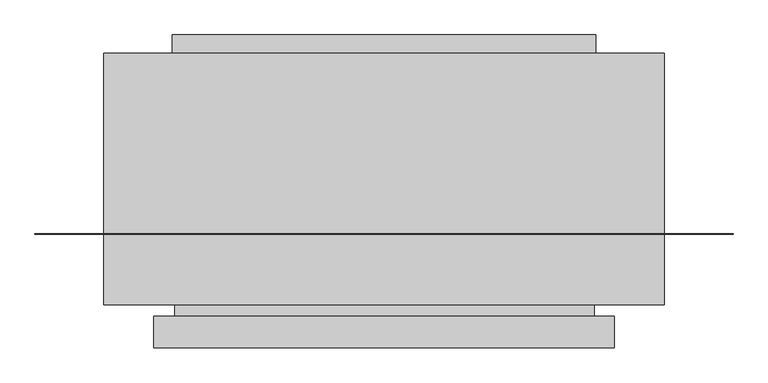
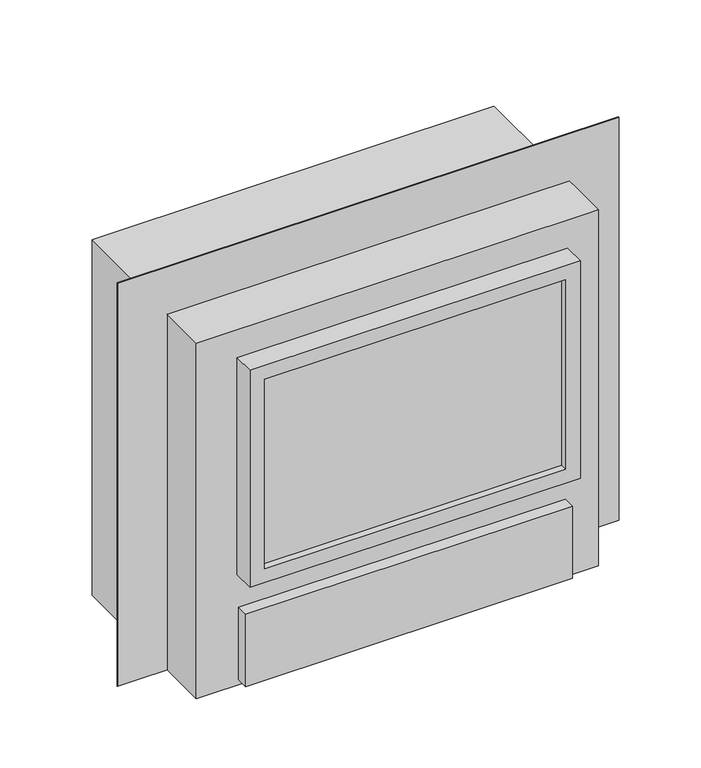
"""IFC4 building model written with IfcOpenShell, lengths in millimetres: proxy geometry."""

import ifcopenshell
import ifcopenshell.guid

model = None  # the IFC model being written
_history = None  # IfcOwnerHistory: only IFC2X3 demands one
_inside = {}  # id of a spatial element -> (the spatial element, [elements in it])
_under = {}  # id of a project, library or spatial element -> (it, [spatial elements below it])
_declared = {}  # id of a project -> (the project, [libraries it declares])
_typed = {}  # id of a type object -> (the type object, [elements of that type])
_made_of = {}  # id of a material, layer set ... -> (it, [elements and type objects made of it])


def new_model(schema):
    """Start an empty IFC model of exactly this schema.

    Asked for "IFC4X3", IfcOpenShell would pick the latest addendum, in which some entities
    have other attributes; the version numbers below select the first issue.
    IFC2X3 requires an IfcOwnerHistory on every rooted entity: one is made here for all.
    """
    global model, _history
    if schema == "IFC4X3":
        model = ifcopenshell.file(schema_version=(4, 3, 0, 0))
    else:
        model = ifcopenshell.file(schema=schema)
    _inside.clear()
    _under.clear()
    _declared.clear()
    _typed.clear()
    _made_of.clear()
    _history = None
    if model.schema == "IFC2X3":
        org = make("IfcOrganization", Name="unknown")
        user = make(
            "IfcPersonAndOrganization",
            ThePerson=make("IfcPerson", FamilyName="unknown"),
            TheOrganization=org,
        )
        app = make(
            "IfcApplication",
            ApplicationDeveloper=org,
            Version="unknown",
            ApplicationFullName="unknown",
            ApplicationIdentifier="unknown",
        )
        _history = make(
            "IfcOwnerHistory",
            OwningUser=user,
            OwningApplication=app,
            ChangeAction="ADDED",
            CreationDate=0,
        )
    return model


def make(cls, **values):
    """One entity of the class cls with the attributes given. An attribute that is None is left unset."""
    return model.create_entity(
        cls, **{name: value for name, value in values.items() if value is not None}
    )


def rooted(cls, **values):
    """An entity with a GlobalId (a new one), such as an element, a storey or a relation."""
    return make(cls, GlobalId=ifcopenshell.guid.new(), OwnerHistory=_history, **values)


def si_unit(unit_type, name, prefix=None):
    """IfcSIUnit, for example si_unit("LENGTHUNIT", "METRE", prefix="MILLI")."""
    return make("IfcSIUnit", UnitType=unit_type, Prefix=prefix, Name=name)


def assignment(units):
    """IfcUnitAssignment: the units of a project."""
    return None if units is None else make("IfcUnitAssignment", Units=units)


def point(xyz):
    """IfcCartesianPoint."""
    return None if xyz is None else make("IfcCartesianPoint", Coordinates=xyz)


def direction(xyz):
    """IfcDirection."""
    return None if xyz is None else make("IfcDirection", DirectionRatios=xyz)


def frame(location, z_axis=None, x_axis=None):
    """IfcAxis2Placement3D, a coordinate frame: its origin and axes. An axis left out is left unset."""
    return make(
        "IfcAxis2Placement3D",
        Location=point(location),
        Axis=direction(z_axis),
        RefDirection=direction(x_axis),
    )


def origin():
    """The frame at (0, 0, 0) with its axes left unset."""
    return frame((0.0, 0.0, 0.0))


def origin_with_axes():
    """The frame at (0, 0, 0) with the z axis (0, 0, 1) and the x axis (1, 0, 0) written out."""
    return frame((0.0, 0.0, 0.0), z_axis=(0.0, 0.0, 1.0), x_axis=(1.0, 0.0, 0.0))


def place(relative_to, where):
    """IfcLocalPlacement: puts the frame where relative to a parent placement (None: the world)."""
    return make(
        "IfcLocalPlacement", PlacementRelTo=relative_to, RelativePlacement=where
    )


def context(
    kind, dimensions, precision=None, world=None, true_north=None, identifier=None
):
    """IfcGeometricRepresentationContext, for example the 3D "Model" context."""
    return make(
        "IfcGeometricRepresentationContext",
        ContextIdentifier=identifier,
        ContextType=kind,
        CoordinateSpaceDimension=dimensions,
        Precision=precision,
        WorldCoordinateSystem=world,
        TrueNorth=true_north,
    )


def project(units=None, contexts=None):
    """IfcProject with its units and contexts."""
    return rooted(
        "IfcProject",
        Name="project",
        RepresentationContexts=contexts,
        UnitsInContext=assignment(units),
    )


def spatial(cls, under=None, at=None, **own):
    """A site, building, storey or space (cls), placed at a placement, below another one or the project."""
    s = rooted(cls, ObjectPlacement=at, **own)
    if under is not None:
        _under.setdefault(under.id(), (under, []))[1].append(s)
    return s


def polyline(points):
    """IfcPolyline through the points."""
    return make("IfcPolyline", Points=[point(p) for p in points])


def outline(outer, holes=None, kind="AREA"):
    """IfcArbitraryClosedProfileDef: a profile drawn as a closed curve; with holes, ...WithVoids."""
    if holes is None:
        return make("IfcArbitraryClosedProfileDef", ProfileType=kind, OuterCurve=outer)
    return make(
        "IfcArbitraryProfileDefWithVoids",
        ProfileType=kind,
        OuterCurve=outer,
        InnerCurves=holes,
    )


def extrude(swept, where, along, depth):
    """IfcExtrudedAreaSolid: the profile swept, set in the frame where, extruded along a direction by depth."""
    return make(
        "IfcExtrudedAreaSolid",
        SweptArea=swept,
        Position=where,
        ExtrudedDirection=direction(along),
        Depth=depth,
    )


def faces_of(points, faces, orient=None, outer=None):
    """IfcFace entities. A face is a list of loops; a loop is a list of indices into points, from 0.

    orient and outer hold one flag for each loop. By default every Orientation is true, the
    first loop of a face is its IfcFaceOuterBound and the others are IfcFaceBound.
    """
    made = []
    for i, loops in enumerate(faces):
        bounds = []
        for j, loop in enumerate(loops):
            is_outer = j == 0 if outer is None else outer[i][j]
            bounds.append(
                make(
                    "IfcFaceOuterBound" if is_outer else "IfcFaceBound",
                    Bound=make("IfcPolyLoop", Polygon=[points[k] for k in loop]),
                    Orientation=True if orient is None else orient[i][j],
                )
            )
        made.append(make("IfcFace", Bounds=bounds))
    return made


def faceted_brep(points, faces, orient=None, outer=None, voids=None):
    """IfcFacetedBrep: a solid bounded by flat faces; with voids (closed shells), ...WithVoids."""
    shared = [point(p) for p in points]
    hull = make("IfcClosedShell", CfsFaces=faces_of(shared, faces, orient, outer))
    if voids is None:
        return make("IfcFacetedBrep", Outer=hull)
    return make(
        "IfcFacetedBrepWithVoids",
        Outer=hull,
        Voids=[
            make(cls, CfsFaces=faces_of(shared, fs, o, b)) for cls, fs, o, b in voids
        ],
    )


def shape(context_of_items, identifier, shape_type, items):
    """IfcShapeRepresentation: the items that make up one representation, for example the "Body"."""
    return make(
        "IfcShapeRepresentation",
        ContextOfItems=context_of_items,
        RepresentationIdentifier=identifier,
        RepresentationType=shape_type,
        Items=items,
    )


def source(mapping_origin, context_of_items, identifier, shape_type, items):
    """IfcRepresentationMap: a shape defined once, which mapped items show again and again."""
    return make(
        "IfcRepresentationMap",
        MappingOrigin=mapping_origin,
        MappedRepresentation=shape(context_of_items, identifier, shape_type, items),
    )


def transform(
    local_origin,
    x_axis=None,
    y_axis=None,
    z_axis=None,
    scale=None,
    scale2=None,
    scale3=None,
    uniform=True,
):
    """IfcCartesianTransformationOperator3D, or its non-uniform kind. x_axis, y_axis, z_axis: its Axis1, 2, 3."""
    if uniform:
        return make(
            "IfcCartesianTransformationOperator3D",
            Axis1=direction(x_axis),
            Axis2=direction(y_axis),
            LocalOrigin=point(local_origin),
            Scale=scale,
            Axis3=direction(z_axis),
        )
    return make(
        "IfcCartesianTransformationOperator3DnonUniform",
        Axis1=direction(x_axis),
        Axis2=direction(y_axis),
        LocalOrigin=point(local_origin),
        Scale=scale,
        Axis3=direction(z_axis),
        Scale2=scale2,
        Scale3=scale3,
    )


def mapped(mapping_source, mapping_target):
    """IfcMappedItem: shows the shape of a source again, moved by a transform."""
    return make(
        "IfcMappedItem", MappingSource=mapping_source, MappingTarget=mapping_target
    )


def made_of(thing, what):
    """Note that an element or type object is made of a material, layer set ...; save() writes the relation."""
    if what is not None:
        _made_of.setdefault(what.id(), (what, []))[1].append(thing)
    return thing


def element(
    cls,
    number,
    at=None,
    inside=None,
    cuts=None,
    type_object=None,
    material=None,
    context=None,
    identifier="Body",
    shape_type=None,
    held_by="IfcProductDefinitionShape",
    body=None,
    shapes=None,
    **own,
):
    """One element of the class cls, such as IfcWall. Its Tag is "e" and its number.

    at: its placement. inside: the storey or other place that contains it. cuts: it is an
    opening in that element (IfcRelVoidsElement). A single representation is given by context,
    identifier, shape_type and body (its items); several are given by shapes. held_by: the class
    of the entity that holds the representations. save() writes the other relations.
    """
    e = rooted(cls, Tag="e%d" % number, ObjectPlacement=at, **own)
    if body is not None:
        shapes = [shape(context, identifier, shape_type, body)]
    if shapes is not None:
        e.Representation = make(held_by, Representations=shapes)
    if inside is not None:
        _inside.setdefault(inside.id(), (inside, []))[1].append(e)
    if cuts is not None:
        rooted(
            "IfcRelVoidsElement", RelatingBuildingElement=cuts, RelatedOpeningElement=e
        )
    if type_object is not None:
        _typed.setdefault(type_object.id(), (type_object, []))[1].append(e)
    return made_of(e, material)


def aggregate(whole, parts):
    """IfcRelAggregates: a whole, such as a stair, and the parts it consists of."""
    return rooted("IfcRelAggregates", RelatingObject=whole, RelatedObjects=parts)


def save(model, path):
    """Write the relations noted so far, then the file.

    IfcRelAggregates (storeys below a building ...), IfcRelContainedInSpatialStructure (elements
    in a storey), IfcRelDefinesByType, IfcRelAssociatesMaterial and IfcRelDeclares: one each for
    every whole, place, type object, material and project.
    """
    for whole, parts in _under.values():
        aggregate(whole, parts)
    for where, things in _inside.values():
        rooted(
            "IfcRelContainedInSpatialStructure",
            RelatedElements=things,
            RelatingStructure=where,
        )
    for kind, things in _typed.values():
        rooted("IfcRelDefinesByType", RelatedObjects=things, RelatingType=kind)
    for what, things in _made_of.values():
        rooted("IfcRelAssociatesMaterial", RelatedObjects=things, RelatingMaterial=what)
    for by, libraries in _declared.values():
        rooted("IfcRelDeclares", RelatingContext=by, RelatedDefinitions=libraries)
    model.write(path)


def generic_models_22088451(model_context):
    return source(origin(), model_context, "Body", "SolidModel", [
        faceted_brep([(502.25325, -179.8066, 1074.1787), (-502.25325, -179.8066, 1074.1787), (-502.25325, -248.3612, 1074.1787), (502.25325, -248.3612, 1074.1787), (502.25325, -179.8066, 376.8725), (502.25325, -248.3612, 376.8725), (-502.25325, -248.3612, 376.8725), (-502.25325, -179.8066, 376.8725), (-457.2, -248.3612, 1030.3256), (457.2, -248.3612, 1030.3256), (457.2, -248.3612, 420.7256), (-457.2, -248.3612, 420.7256), (457.2, -227.1339563, 1030.3256), (-457.2, -227.1339563, 1030.3256), (-457.2, -227.1339563, 420.7256), (457.2, -227.1339563, 420.7256)], [[[0, 1, 2, 3]], [[4, 5, 6, 7]], [[1, 0, 4, 7]], [[2, 1, 7, 6]], [[3, 2, 6, 5], [8, 9, 10, 11]], [[0, 3, 5, 4]], [[12, 13, 14, 15]], [[13, 12, 9, 8]], [[14, 13, 8, 11]], [[15, 14, 11, 10]], [[12, 15, 10, 9]]]),
        extrude(outline(polyline([(762.0, 0.762), (762.0, -0.762), (-762.0, -0.762), (-762.0, 0.762), (762.0, 0.762)])), origin_with_axes(), (0.0, 0.0, 1.0), 1295.4),
        extrude(outline(polyline([(496.77955, -179.0192), (496.77955, -216.7382), (-496.77955, -216.7382), (-496.77955, -179.0192), (496.77955, -179.0192)])), frame((0.0, 0.0, 37.24275), z_axis=(0.0, 0.0, 1.0), x_axis=(1.0, 0.0, 0.0)), (0.0, 0.0, 1.0), 232.0036),
        extrude(outline(polyline([(458.9018, -154.0764), (458.9018, -179.0192), (-457.2, -179.0192), (-457.2, -154.0764), (458.9018, -154.0764)])), frame((0.0, 0.0, 62.992), z_axis=(0.0, 0.0, 1.0), x_axis=(1.0, 0.0, 0.0)), (0.0, 0.0, 1.0), 182.9054),
        extrude(outline(polyline([(458.9018, -154.0764), (458.9018, -179.8066), (-457.2, -179.8066), (-457.2, -154.0764), (458.9018, -154.0764)])), frame((0.0, 0.0, 415.1376), z_axis=(0.0, 0.0, 1.0), x_axis=(1.0, 0.0, 0.0)), (0.0, 0.0, 1.0), 614.4768),
        extrude(outline(polyline([(461.9625, 434.6189902), (461.9625, 394.7668), (-461.9625, 394.7668), (-461.9625, 434.6189902), (461.9625, 434.6189902)])), frame((0.0, 0.0, 417.576), z_axis=(0.0, 0.0, 1.0), x_axis=(1.0, 0.0, 0.0)), (0.0, 0.0, 1.0), 605.663),
        extrude(outline(polyline([(611.3018, 394.7668), (611.3018, -154.0764), (-611.3018, -154.0764), (-611.3018, 394.7668), (611.3018, 394.7668)])), origin_with_axes(), (0.0, 0.0, 1.0), 1143.0),
    ])


if __name__ == "__main__":
    model = new_model("IFC4")
    model_context = context("Model", 3, world=origin())
    ifc_project = project(units=[si_unit("LENGTHUNIT", "METRE", prefix="MILLI")], contexts=[model_context])
    site = spatial("IfcSite", under=ifc_project)
    building = spatial("IfcBuilding", under=site)
    placement = place(None, origin())
    generic_models_shape = generic_models_22088451(model_context)
    element("IfcBuildingElementProxy", 1, Name="Generic Models", at=placement, inside=building, context=model_context, shape_type="MappedRepresentation", body=[
        mapped(generic_models_shape, transform((0.0, 0.0, 0.0), x_axis=(1.0, 0.0, 0.0), y_axis=(0.0, 1.0, 0.0), z_axis=(0.0, 0.0, 1.0))),
    ])
    save(model, "model.ifc")
